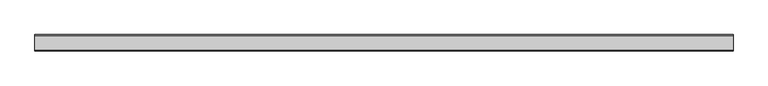
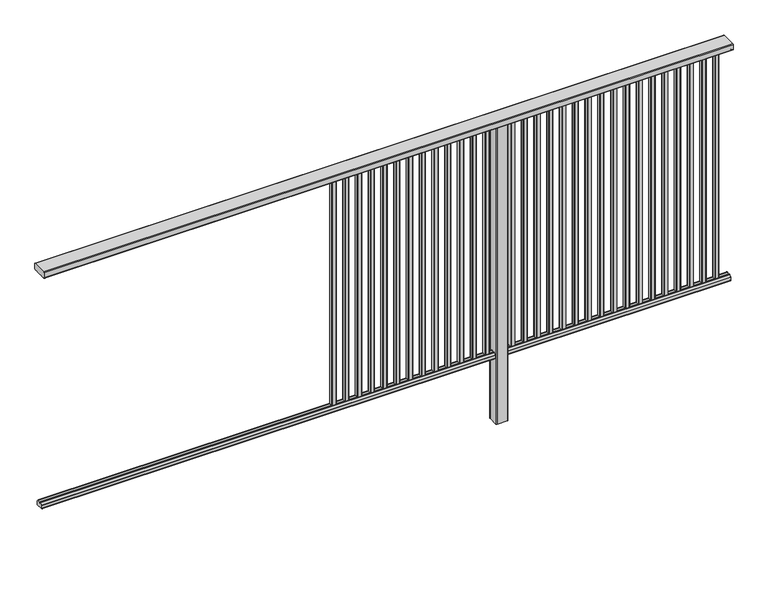
"""IFC4 building model written with IfcOpenShell, lengths in millimetres: railing geometry."""

from ifc_helpers import new_model, si_unit, point, frame, frame_2d, origin, place, context, project, spatial, polyline, circle_curve, trimmed, segment, composite_curve, outline, extrude, source, transform, mapped, element, save


def railing_4b371426(model_context):
    return source(origin(), model_context, "Body", "SweptSolid", [
        extrude(outline(composite_curve([segment(trimmed(circle_curve(frame_2d((7892.8460333, 1197.0)), 3.0), [point((7892.8460333, 1200.0))], [point((7895.8460333, 1197.0))], False, "CARTESIAN"), True, "CONTINUOUS"), segment(polyline([(7895.8460333, 1197.0), (7895.8460333, 1174.8)]), True, "CONTINUOUS"), segment(trimmed(circle_curve(frame_2d((7892.8460333, 1174.8)), 3.0), [point((7895.8460333, 1174.8))], [point((7892.8460333, 1171.8))], False, "CARTESIAN"), True, "CONTINUOUS"), segment(polyline([(7892.8460333, 1171.8), (7887.9961193, 1171.8)]), True, "CONTINUOUS"), segment(trimmed(circle_curve(frame_2d((7887.9961193, 1172.7286632)), 0.9286632), [point((7887.9961193, 1171.8))], [point((7887.0960471, 1172.5000033))], False, "CARTESIAN"), True, "CONTINUOUS"), segment(trimmed(circle_curve(frame_2d((7886.5960471, 1172.5000003)), 0.5), [point((7887.0960471, 1172.5000033))], [point((7886.5960471, 1172.0000003))], False, "CARTESIAN"), True, "CONTINUOUS"), segment(polyline([(7886.5960471, 1172.0000003), (7869.5751393, 1172.0000003)]), True, "CONTINUOUS"), segment(trimmed(circle_curve(frame_2d((7860.8508208, 1188.8785723)), 18.999998), [point((7869.5751393, 1172.0000003))], [point((7852.1265024, 1172.0000003))], False, "CARTESIAN"), True, "CONTINUOUS"), segment(polyline([(7852.1265024, 1172.0000003), (7835.0960436, 1172.0000003)]), True, "CONTINUOUS"), segment(trimmed(circle_curve(frame_2d((7835.0960436, 1172.5000003)), 0.5), [point((7835.0960436, 1172.0000003))], [point((7834.5960436, 1172.5000033))], False, "CARTESIAN"), True, "CONTINUOUS"), segment(trimmed(circle_curve(frame_2d((7833.6961402, 1172.7284461)), 0.9284461), [point((7834.5960436, 1172.5000033))], [point((7833.6961402, 1171.8))], False, "CARTESIAN"), True, "CONTINUOUS"), segment(polyline([(7833.6961402, 1171.8), (7828.8460333, 1171.8)]), True, "CONTINUOUS"), segment(trimmed(circle_curve(frame_2d((7828.8460333, 1174.8)), 3.0), [point((7828.8460333, 1171.8))], [point((7825.8460333, 1174.8))], False, "CARTESIAN"), True, "CONTINUOUS"), segment(polyline([(7825.8460333, 1174.8), (7825.8460333, 1197.0)]), True, "CONTINUOUS"), segment(trimmed(circle_curve(frame_2d((7828.8460333, 1197.0)), 3.0), [point((7825.8460333, 1197.0))], [point((7828.8460333, 1200.0))], False, "CARTESIAN"), True, "CONTINUOUS"), segment(polyline([(7828.8460333, 1200.0), (7892.8460333, 1200.0)]), True, "CONTINUOUS")], self_intersect=False)), frame((3711.3946925, 0.0, 0.0), z_axis=(1.0, 0.0, 0.0), x_axis=(0.0, 1.0, 0.0)), (0.0, 0.0, 1.0), 3000.0),
        extrude(outline(composite_curve([segment(polyline([(7876.5508136, 100.0), (7845.1507946, 100.0)]), True, "CONTINUOUS"), segment(trimmed(circle_curve(frame_2d((7845.1507946, 101.8)), 1.8), [point((7845.1507946, 100.0))], [point((7843.3507946, 101.8))], False, "CARTESIAN"), True, "CONTINUOUS"), segment(polyline([(7843.3507946, 101.8), (7843.3507946, 115.5269955)]), True, "CONTINUOUS"), segment(trimmed(circle_curve(frame_2d((7845.1507946, 115.5269955)), 1.8), [point((7843.3507946, 115.5269955))], [point((7843.7923399, 116.7079277))], False, "CARTESIAN"), True, "CONTINUOUS"), segment(polyline([(7843.7923399, 116.7079277), (7850.4626384, 124.3809322)]), True, "CONTINUOUS"), segment(trimmed(circle_curve(frame_2d((7851.8210931, 123.2)), 1.8), [point((7850.4626384, 124.3809322))], [point((7851.8210931, 125.0))], False, "CARTESIAN"), True, "CONTINUOUS"), segment(polyline([(7851.8210931, 125.0), (7855.5111113, 125.0), (7856.809143, 113.0), (7864.8924411, 113.0), (7866.1904978, 125.0), (7869.88054, 125.0)]), True, "CONTINUOUS"), segment(trimmed(circle_curve(frame_2d((7869.88054, 123.2)), 1.8), [point((7869.88054, 125.0))], [point((7871.2389969, 124.3809297))], False, "CARTESIAN"), True, "CONTINUOUS"), segment(polyline([(7871.2389969, 124.3809297), (7877.9092704, 116.7079252)]), True, "CONTINUOUS"), segment(trimmed(circle_curve(frame_2d((7876.5508136, 115.5269955)), 1.8), [point((7877.9092704, 116.7079252))], [point((7878.3508136, 115.5269955))], False, "CARTESIAN"), True, "CONTINUOUS"), segment(polyline([(7878.3508136, 115.5269955), (7878.3508136, 101.8)]), True, "CONTINUOUS"), segment(trimmed(circle_curve(frame_2d((7876.5508136, 101.8)), 1.8), [point((7878.3508136, 101.8))], [point((7876.5508136, 100.0))], False, "CARTESIAN"), True, "CONTINUOUS")], self_intersect=False)), frame((3711.3946925, 0.0, 0.0), z_axis=(1.0, 0.0, 0.0), x_axis=(0.0, 1.0, 0.0)), (0.0, 0.0, 1.0), 3000.0),
        extrude(outline(composite_curve([segment(trimmed(circle_curve(frame_2d((6648.2391355, 7868.4508236)), 1.4), [point((6646.8391355, 7868.4508236))], [point((6648.2391355, 7869.8508236))], False, "CARTESIAN"), True, "CONTINUOUS"), segment(polyline([(6648.2391355, 7869.8508236), (6663.4391385, 7869.8508236)]), True, "CONTINUOUS"), segment(trimmed(circle_curve(frame_2d((6663.4391385, 7868.4508236)), 1.4), [point((6663.4391385, 7869.8508236))], [point((6664.8391385, 7868.4508236))], False, "CARTESIAN"), True, "CONTINUOUS"), segment(polyline([(6664.8391385, 7868.4508236), (6664.8391385, 7853.2507846)]), True, "CONTINUOUS"), segment(trimmed(circle_curve(frame_2d((6663.4391385, 7853.2507846)), 1.4), [point((6664.8391385, 7853.2507846))], [point((6663.4391385, 7851.8507846))], False, "CARTESIAN"), True, "CONTINUOUS"), segment(polyline([(6663.4391385, 7851.8507846), (6648.2391355, 7851.8507846)]), True, "CONTINUOUS"), segment(trimmed(circle_curve(frame_2d((6648.2391355, 7853.2507846)), 1.4), [point((6648.2391355, 7851.8507846))], [point((6646.8391355, 7853.2507846))], False, "CARTESIAN"), True, "CONTINUOUS"), segment(polyline([(6646.8391355, 7853.2507846), (6646.8391355, 7868.4508236)]), True, "CONTINUOUS")], self_intersect=False)), frame((0.0, 0.0, 125.0), z_axis=(0.0, 0.0, 1.0), x_axis=(1.0, 0.0, 0.0)), (0.0, 0.0, 1.0), 1044.8785743),
        extrude(outline(composite_curve([segment(trimmed(circle_curve(frame_2d((6592.6835799, 7868.4508236)), 1.4), [point((6591.2835799, 7868.4508236))], [point((6592.6835799, 7869.8508236))], False, "CARTESIAN"), True, "CONTINUOUS"), segment(polyline([(6592.6835799, 7869.8508236), (6607.8835829, 7869.8508236)]), True, "CONTINUOUS"), segment(trimmed(circle_curve(frame_2d((6607.8835829, 7868.4508236)), 1.4), [point((6607.8835829, 7869.8508236))], [point((6609.2835829, 7868.4508236))], False, "CARTESIAN"), True, "CONTINUOUS"), segment(polyline([(6609.2835829, 7868.4508236), (6609.2835829, 7853.2507846)]), True, "CONTINUOUS"), segment(trimmed(circle_curve(frame_2d((6607.8835829, 7853.2507846)), 1.4), [point((6609.2835829, 7853.2507846))], [point((6607.8835829, 7851.8507846))], False, "CARTESIAN"), True, "CONTINUOUS"), segment(polyline([(6607.8835829, 7851.8507846), (6592.6835799, 7851.8507846)]), True, "CONTINUOUS"), segment(trimmed(circle_curve(frame_2d((6592.6835799, 7853.2507846)), 1.4), [point((6592.6835799, 7851.8507846))], [point((6591.2835799, 7853.2507846))], False, "CARTESIAN"), True, "CONTINUOUS"), segment(polyline([(6591.2835799, 7853.2507846), (6591.2835799, 7868.4508236)]), True, "CONTINUOUS")], self_intersect=False)), frame((0.0, 0.0, 125.0), z_axis=(0.0, 0.0, 1.0), x_axis=(1.0, 0.0, 0.0)), (0.0, 0.0, 1.0), 1044.8785743),
        extrude(outline(composite_curve([segment(trimmed(circle_curve(frame_2d((6537.1280244, 7868.4508236)), 1.4), [point((6535.7280244, 7868.4508236))], [point((6537.1280244, 7869.8508236))], False, "CARTESIAN"), True, "CONTINUOUS"), segment(polyline([(6537.1280244, 7869.8508236), (6552.3280274, 7869.8508236)]), True, "CONTINUOUS"), segment(trimmed(circle_curve(frame_2d((6552.3280274, 7868.4508236)), 1.4), [point((6552.3280274, 7869.8508236))], [point((6553.7280274, 7868.4508236))], False, "CARTESIAN"), True, "CONTINUOUS"), segment(polyline([(6553.7280274, 7868.4508236), (6553.7280274, 7853.2507846)]), True, "CONTINUOUS"), segment(trimmed(circle_curve(frame_2d((6552.3280274, 7853.2507846)), 1.4), [point((6553.7280274, 7853.2507846))], [point((6552.3280274, 7851.8507846))], False, "CARTESIAN"), True, "CONTINUOUS"), segment(polyline([(6552.3280274, 7851.8507846), (6537.1280244, 7851.8507846)]), True, "CONTINUOUS"), segment(trimmed(circle_curve(frame_2d((6537.1280244, 7853.2507846)), 1.4), [point((6537.1280244, 7851.8507846))], [point((6535.7280244, 7853.2507846))], False, "CARTESIAN"), True, "CONTINUOUS"), segment(polyline([(6535.7280244, 7853.2507846), (6535.7280244, 7868.4508236)]), True, "CONTINUOUS")], self_intersect=False)), frame((0.0, 0.0, 125.0), z_axis=(0.0, 0.0, 1.0), x_axis=(1.0, 0.0, 0.0)), (0.0, 0.0, 1.0), 1044.8785743),
        extrude(outline(composite_curve([segment(trimmed(circle_curve(frame_2d((6481.5724688, 7868.4508236)), 1.4), [point((6480.1724688, 7868.4508236))], [point((6481.5724688, 7869.8508236))], False, "CARTESIAN"), True, "CONTINUOUS"), segment(polyline([(6481.5724688, 7869.8508236), (6496.7724718, 7869.8508236)]), True, "CONTINUOUS"), segment(trimmed(circle_curve(frame_2d((6496.7724718, 7868.4508236)), 1.4), [point((6496.7724718, 7869.8508236))], [point((6498.1724718, 7868.4508236))], False, "CARTESIAN"), True, "CONTINUOUS"), segment(polyline([(6498.1724718, 7868.4508236), (6498.1724718, 7853.2507846)]), True, "CONTINUOUS"), segment(trimmed(circle_curve(frame_2d((6496.7724718, 7853.2507846)), 1.4), [point((6498.1724718, 7853.2507846))], [point((6496.7724718, 7851.8507846))], False, "CARTESIAN"), True, "CONTINUOUS"), segment(polyline([(6496.7724718, 7851.8507846), (6481.5724688, 7851.8507846)]), True, "CONTINUOUS"), segment(trimmed(circle_curve(frame_2d((6481.5724688, 7853.2507846)), 1.4), [point((6481.5724688, 7851.8507846))], [point((6480.1724688, 7853.2507846))], False, "CARTESIAN"), True, "CONTINUOUS"), segment(polyline([(6480.1724688, 7853.2507846), (6480.1724688, 7868.4508236)]), True, "CONTINUOUS")], self_intersect=False)), frame((0.0, 0.0, 125.0), z_axis=(0.0, 0.0, 1.0), x_axis=(1.0, 0.0, 0.0)), (0.0, 0.0, 1.0), 1044.8785743),
        extrude(outline(composite_curve([segment(trimmed(circle_curve(frame_2d((6426.0169133, 7868.4508236)), 1.4), [point((6424.6169133, 7868.4508236))], [point((6426.0169133, 7869.8508236))], False, "CARTESIAN"), True, "CONTINUOUS"), segment(polyline([(6426.0169133, 7869.8508236), (6441.2169163, 7869.8508236)]), True, "CONTINUOUS"), segment(trimmed(circle_curve(frame_2d((6441.2169163, 7868.4508236)), 1.4), [point((6441.2169163, 7869.8508236))], [point((6442.6169163, 7868.4508236))], False, "CARTESIAN"), True, "CONTINUOUS"), segment(polyline([(6442.6169163, 7868.4508236), (6442.6169163, 7853.2507846)]), True, "CONTINUOUS"), segment(trimmed(circle_curve(frame_2d((6441.2169163, 7853.2507846)), 1.4), [point((6442.6169163, 7853.2507846))], [point((6441.2169163, 7851.8507846))], False, "CARTESIAN"), True, "CONTINUOUS"), segment(polyline([(6441.2169163, 7851.8507846), (6426.0169133, 7851.8507846)]), True, "CONTINUOUS"), segment(trimmed(circle_curve(frame_2d((6426.0169133, 7853.2507846)), 1.4), [point((6426.0169133, 7851.8507846))], [point((6424.6169133, 7853.2507846))], False, "CARTESIAN"), True, "CONTINUOUS"), segment(polyline([(6424.6169133, 7853.2507846), (6424.6169133, 7868.4508236)]), True, "CONTINUOUS")], self_intersect=False)), frame((0.0, 0.0, 125.0), z_axis=(0.0, 0.0, 1.0), x_axis=(1.0, 0.0, 0.0)), (0.0, 0.0, 1.0), 1044.8785743),
        extrude(outline(composite_curve([segment(trimmed(circle_curve(frame_2d((6370.4613577, 7868.4508236)), 1.4), [point((6369.0613577, 7868.4508236))], [point((6370.4613577, 7869.8508236))], False, "CARTESIAN"), True, "CONTINUOUS"), segment(polyline([(6370.4613577, 7869.8508236), (6385.6613607, 7869.8508236)]), True, "CONTINUOUS"), segment(trimmed(circle_curve(frame_2d((6385.6613607, 7868.4508236)), 1.4), [point((6385.6613607, 7869.8508236))], [point((6387.0613607, 7868.4508236))], False, "CARTESIAN"), True, "CONTINUOUS"), segment(polyline([(6387.0613607, 7868.4508236), (6387.0613607, 7853.2507846)]), True, "CONTINUOUS"), segment(trimmed(circle_curve(frame_2d((6385.6613607, 7853.2507846)), 1.4), [point((6387.0613607, 7853.2507846))], [point((6385.6613607, 7851.8507846))], False, "CARTESIAN"), True, "CONTINUOUS"), segment(polyline([(6385.6613607, 7851.8507846), (6370.4613577, 7851.8507846)]), True, "CONTINUOUS"), segment(trimmed(circle_curve(frame_2d((6370.4613577, 7853.2507846)), 1.4), [point((6370.4613577, 7851.8507846))], [point((6369.0613577, 7853.2507846))], False, "CARTESIAN"), True, "CONTINUOUS"), segment(polyline([(6369.0613577, 7853.2507846), (6369.0613577, 7868.4508236)]), True, "CONTINUOUS")], self_intersect=False)), frame((0.0, 0.0, 125.0), z_axis=(0.0, 0.0, 1.0), x_axis=(1.0, 0.0, 0.0)), (0.0, 0.0, 1.0), 1044.8785743),
        extrude(outline(composite_curve([segment(trimmed(circle_curve(frame_2d((6314.9058021, 7868.4508236)), 1.4), [point((6313.5058021, 7868.4508236))], [point((6314.9058021, 7869.8508236))], False, "CARTESIAN"), True, "CONTINUOUS"), segment(polyline([(6314.9058021, 7869.8508236), (6330.1058051, 7869.8508236)]), True, "CONTINUOUS"), segment(trimmed(circle_curve(frame_2d((6330.1058051, 7868.4508236)), 1.4), [point((6330.1058051, 7869.8508236))], [point((6331.5058051, 7868.4508236))], False, "CARTESIAN"), True, "CONTINUOUS"), segment(polyline([(6331.5058051, 7868.4508236), (6331.5058051, 7853.2507846)]), True, "CONTINUOUS"), segment(trimmed(circle_curve(frame_2d((6330.1058051, 7853.2507846)), 1.4), [point((6331.5058051, 7853.2507846))], [point((6330.1058051, 7851.8507846))], False, "CARTESIAN"), True, "CONTINUOUS"), segment(polyline([(6330.1058051, 7851.8507846), (6314.9058021, 7851.8507846)]), True, "CONTINUOUS"), segment(trimmed(circle_curve(frame_2d((6314.9058021, 7853.2507846)), 1.4), [point((6314.9058021, 7851.8507846))], [point((6313.5058021, 7853.2507846))], False, "CARTESIAN"), True, "CONTINUOUS"), segment(polyline([(6313.5058021, 7853.2507846), (6313.5058021, 7868.4508236)]), True, "CONTINUOUS")], self_intersect=False)), frame((0.0, 0.0, 125.0), z_axis=(0.0, 0.0, 1.0), x_axis=(1.0, 0.0, 0.0)), (0.0, 0.0, 1.0), 1044.8785743),
        extrude(outline(composite_curve([segment(trimmed(circle_curve(frame_2d((6259.3502466, 7868.4508236)), 1.4), [point((6257.9502466, 7868.4508236))], [point((6259.3502466, 7869.8508236))], False, "CARTESIAN"), True, "CONTINUOUS"), segment(polyline([(6259.3502466, 7869.8508236), (6274.5502496, 7869.8508236)]), True, "CONTINUOUS"), segment(trimmed(circle_curve(frame_2d((6274.5502496, 7868.4508236)), 1.4), [point((6274.5502496, 7869.8508236))], [point((6275.9502496, 7868.4508236))], False, "CARTESIAN"), True, "CONTINUOUS"), segment(polyline([(6275.9502496, 7868.4508236), (6275.9502496, 7853.2507846)]), True, "CONTINUOUS"), segment(trimmed(circle_curve(frame_2d((6274.5502496, 7853.2507846)), 1.4), [point((6275.9502496, 7853.2507846))], [point((6274.5502496, 7851.8507846))], False, "CARTESIAN"), True, "CONTINUOUS"), segment(polyline([(6274.5502496, 7851.8507846), (6259.3502466, 7851.8507846)]), True, "CONTINUOUS"), segment(trimmed(circle_curve(frame_2d((6259.3502466, 7853.2507846)), 1.4), [point((6259.3502466, 7851.8507846))], [point((6257.9502466, 7853.2507846))], False, "CARTESIAN"), True, "CONTINUOUS"), segment(polyline([(6257.9502466, 7853.2507846), (6257.9502466, 7868.4508236)]), True, "CONTINUOUS")], self_intersect=False)), frame((0.0, 0.0, 125.0), z_axis=(0.0, 0.0, 1.0), x_axis=(1.0, 0.0, 0.0)), (0.0, 0.0, 1.0), 1044.8785743),
        extrude(outline(composite_curve([segment(trimmed(circle_curve(frame_2d((6203.794691, 7868.4508236)), 1.4), [point((6202.394691, 7868.4508236))], [point((6203.794691, 7869.8508236))], False, "CARTESIAN"), True, "CONTINUOUS"), segment(polyline([(6203.794691, 7869.8508236), (6218.994694, 7869.8508236)]), True, "CONTINUOUS"), segment(trimmed(circle_curve(frame_2d((6218.994694, 7868.4508236)), 1.4), [point((6218.994694, 7869.8508236))], [point((6220.394694, 7868.4508236))], False, "CARTESIAN"), True, "CONTINUOUS"), segment(polyline([(6220.394694, 7868.4508236), (6220.394694, 7853.2507846)]), True, "CONTINUOUS"), segment(trimmed(circle_curve(frame_2d((6218.994694, 7853.2507846)), 1.4), [point((6220.394694, 7853.2507846))], [point((6218.994694, 7851.8507846))], False, "CARTESIAN"), True, "CONTINUOUS"), segment(polyline([(6218.994694, 7851.8507846), (6203.794691, 7851.8507846)]), True, "CONTINUOUS"), segment(trimmed(circle_curve(frame_2d((6203.794691, 7853.2507846)), 1.4), [point((6203.794691, 7851.8507846))], [point((6202.394691, 7853.2507846))], False, "CARTESIAN"), True, "CONTINUOUS"), segment(polyline([(6202.394691, 7853.2507846), (6202.394691, 7868.4508236)]), True, "CONTINUOUS")], self_intersect=False)), frame((0.0, 0.0, 125.0), z_axis=(0.0, 0.0, 1.0), x_axis=(1.0, 0.0, 0.0)), (0.0, 0.0, 1.0), 1044.8785743),
        extrude(outline(composite_curve([segment(trimmed(circle_curve(frame_2d((6148.2391355, 7868.4508236)), 1.4), [point((6146.8391355, 7868.4508236))], [point((6148.2391355, 7869.8508236))], False, "CARTESIAN"), True, "CONTINUOUS"), segment(polyline([(6148.2391355, 7869.8508236), (6163.4391385, 7869.8508236)]), True, "CONTINUOUS"), segment(trimmed(circle_curve(frame_2d((6163.4391385, 7868.4508236)), 1.4), [point((6163.4391385, 7869.8508236))], [point((6164.8391385, 7868.4508236))], False, "CARTESIAN"), True, "CONTINUOUS"), segment(polyline([(6164.8391385, 7868.4508236), (6164.8391385, 7853.2507846)]), True, "CONTINUOUS"), segment(trimmed(circle_curve(frame_2d((6163.4391385, 7853.2507846)), 1.4), [point((6164.8391385, 7853.2507846))], [point((6163.4391385, 7851.8507846))], False, "CARTESIAN"), True, "CONTINUOUS"), segment(polyline([(6163.4391385, 7851.8507846), (6148.2391355, 7851.8507846)]), True, "CONTINUOUS"), segment(trimmed(circle_curve(frame_2d((6148.2391355, 7853.2507846)), 1.4), [point((6148.2391355, 7851.8507846))], [point((6146.8391355, 7853.2507846))], False, "CARTESIAN"), True, "CONTINUOUS"), segment(polyline([(6146.8391355, 7853.2507846), (6146.8391355, 7868.4508236)]), True, "CONTINUOUS")], self_intersect=False)), frame((0.0, 0.0, 125.0), z_axis=(0.0, 0.0, 1.0), x_axis=(1.0, 0.0, 0.0)), (0.0, 0.0, 1.0), 1044.8785743),
        extrude(outline(composite_curve([segment(trimmed(circle_curve(frame_2d((6092.6835799, 7868.4508236)), 1.4), [point((6091.2835799, 7868.4508236))], [point((6092.6835799, 7869.8508236))], False, "CARTESIAN"), True, "CONTINUOUS"), segment(polyline([(6092.6835799, 7869.8508236), (6107.8835829, 7869.8508236)]), True, "CONTINUOUS"), segment(trimmed(circle_curve(frame_2d((6107.8835829, 7868.4508236)), 1.4), [point((6107.8835829, 7869.8508236))], [point((6109.2835829, 7868.4508236))], False, "CARTESIAN"), True, "CONTINUOUS"), segment(polyline([(6109.2835829, 7868.4508236), (6109.2835829, 7853.2507846)]), True, "CONTINUOUS"), segment(trimmed(circle_curve(frame_2d((6107.8835829, 7853.2507846)), 1.4), [point((6109.2835829, 7853.2507846))], [point((6107.8835829, 7851.8507846))], False, "CARTESIAN"), True, "CONTINUOUS"), segment(polyline([(6107.8835829, 7851.8507846), (6092.6835799, 7851.8507846)]), True, "CONTINUOUS"), segment(trimmed(circle_curve(frame_2d((6092.6835799, 7853.2507846)), 1.4), [point((6092.6835799, 7851.8507846))], [point((6091.2835799, 7853.2507846))], False, "CARTESIAN"), True, "CONTINUOUS"), segment(polyline([(6091.2835799, 7853.2507846), (6091.2835799, 7868.4508236)]), True, "CONTINUOUS")], self_intersect=False)), frame((0.0, 0.0, 125.0), z_axis=(0.0, 0.0, 1.0), x_axis=(1.0, 0.0, 0.0)), (0.0, 0.0, 1.0), 1044.8785743),
        extrude(outline(composite_curve([segment(trimmed(circle_curve(frame_2d((6037.1280244, 7868.4508236)), 1.4), [point((6035.7280244, 7868.4508236))], [point((6037.1280244, 7869.8508236))], False, "CARTESIAN"), True, "CONTINUOUS"), segment(polyline([(6037.1280244, 7869.8508236), (6052.3280274, 7869.8508236)]), True, "CONTINUOUS"), segment(trimmed(circle_curve(frame_2d((6052.3280274, 7868.4508236)), 1.4), [point((6052.3280274, 7869.8508236))], [point((6053.7280274, 7868.4508236))], False, "CARTESIAN"), True, "CONTINUOUS"), segment(polyline([(6053.7280274, 7868.4508236), (6053.7280274, 7853.2507846)]), True, "CONTINUOUS"), segment(trimmed(circle_curve(frame_2d((6052.3280274, 7853.2507846)), 1.4), [point((6053.7280274, 7853.2507846))], [point((6052.3280274, 7851.8507846))], False, "CARTESIAN"), True, "CONTINUOUS"), segment(polyline([(6052.3280274, 7851.8507846), (6037.1280244, 7851.8507846)]), True, "CONTINUOUS"), segment(trimmed(circle_curve(frame_2d((6037.1280244, 7853.2507846)), 1.4), [point((6037.1280244, 7851.8507846))], [point((6035.7280244, 7853.2507846))], False, "CARTESIAN"), True, "CONTINUOUS"), segment(polyline([(6035.7280244, 7853.2507846), (6035.7280244, 7868.4508236)]), True, "CONTINUOUS")], self_intersect=False)), frame((0.0, 0.0, 125.0), z_axis=(0.0, 0.0, 1.0), x_axis=(1.0, 0.0, 0.0)), (0.0, 0.0, 1.0), 1044.8785743),
        extrude(outline(composite_curve([segment(trimmed(circle_curve(frame_2d((5981.5724688, 7868.4508236)), 1.4), [point((5980.1724688, 7868.4508236))], [point((5981.5724688, 7869.8508236))], False, "CARTESIAN"), True, "CONTINUOUS"), segment(polyline([(5981.5724688, 7869.8508236), (5996.7724718, 7869.8508236)]), True, "CONTINUOUS"), segment(trimmed(circle_curve(frame_2d((5996.7724718, 7868.4508236)), 1.4), [point((5996.7724718, 7869.8508236))], [point((5998.1724718, 7868.4508236))], False, "CARTESIAN"), True, "CONTINUOUS"), segment(polyline([(5998.1724718, 7868.4508236), (5998.1724718, 7853.2507846)]), True, "CONTINUOUS"), segment(trimmed(circle_curve(frame_2d((5996.7724718, 7853.2507846)), 1.4), [point((5998.1724718, 7853.2507846))], [point((5996.7724718, 7851.8507846))], False, "CARTESIAN"), True, "CONTINUOUS"), segment(polyline([(5996.7724718, 7851.8507846), (5981.5724688, 7851.8507846)]), True, "CONTINUOUS"), segment(trimmed(circle_curve(frame_2d((5981.5724688, 7853.2507846)), 1.4), [point((5981.5724688, 7851.8507846))], [point((5980.1724688, 7853.2507846))], False, "CARTESIAN"), True, "CONTINUOUS"), segment(polyline([(5980.1724688, 7853.2507846), (5980.1724688, 7868.4508236)]), True, "CONTINUOUS")], self_intersect=False)), frame((0.0, 0.0, 125.0), z_axis=(0.0, 0.0, 1.0), x_axis=(1.0, 0.0, 0.0)), (0.0, 0.0, 1.0), 1044.8785743),
        extrude(outline(composite_curve([segment(trimmed(circle_curve(frame_2d((5926.0169133, 7868.4508236)), 1.4), [point((5924.6169133, 7868.4508236))], [point((5926.0169133, 7869.8508236))], False, "CARTESIAN"), True, "CONTINUOUS"), segment(polyline([(5926.0169133, 7869.8508236), (5941.2169163, 7869.8508236)]), True, "CONTINUOUS"), segment(trimmed(circle_curve(frame_2d((5941.2169163, 7868.4508236)), 1.4), [point((5941.2169163, 7869.8508236))], [point((5942.6169163, 7868.4508236))], False, "CARTESIAN"), True, "CONTINUOUS"), segment(polyline([(5942.6169163, 7868.4508236), (5942.6169163, 7853.2507846)]), True, "CONTINUOUS"), segment(trimmed(circle_curve(frame_2d((5941.2169163, 7853.2507846)), 1.4), [point((5942.6169163, 7853.2507846))], [point((5941.2169163, 7851.8507846))], False, "CARTESIAN"), True, "CONTINUOUS"), segment(polyline([(5941.2169163, 7851.8507846), (5926.0169133, 7851.8507846)]), True, "CONTINUOUS"), segment(trimmed(circle_curve(frame_2d((5926.0169133, 7853.2507846)), 1.4), [point((5926.0169133, 7851.8507846))], [point((5924.6169133, 7853.2507846))], False, "CARTESIAN"), True, "CONTINUOUS"), segment(polyline([(5924.6169133, 7853.2507846), (5924.6169133, 7868.4508236)]), True, "CONTINUOUS")], self_intersect=False)), frame((0.0, 0.0, 125.0), z_axis=(0.0, 0.0, 1.0), x_axis=(1.0, 0.0, 0.0)), (0.0, 0.0, 1.0), 1044.8785743),
        extrude(outline(composite_curve([segment(trimmed(circle_curve(frame_2d((5870.4613577, 7868.4508236)), 1.4), [point((5869.0613577, 7868.4508236))], [point((5870.4613577, 7869.8508236))], False, "CARTESIAN"), True, "CONTINUOUS"), segment(polyline([(5870.4613577, 7869.8508236), (5885.6613607, 7869.8508236)]), True, "CONTINUOUS"), segment(trimmed(circle_curve(frame_2d((5885.6613607, 7868.4508236)), 1.4), [point((5885.6613607, 7869.8508236))], [point((5887.0613607, 7868.4508236))], False, "CARTESIAN"), True, "CONTINUOUS"), segment(polyline([(5887.0613607, 7868.4508236), (5887.0613607, 7853.2507846)]), True, "CONTINUOUS"), segment(trimmed(circle_curve(frame_2d((5885.6613607, 7853.2507846)), 1.4), [point((5887.0613607, 7853.2507846))], [point((5885.6613607, 7851.8507846))], False, "CARTESIAN"), True, "CONTINUOUS"), segment(polyline([(5885.6613607, 7851.8507846), (5870.4613577, 7851.8507846)]), True, "CONTINUOUS"), segment(trimmed(circle_curve(frame_2d((5870.4613577, 7853.2507846)), 1.4), [point((5870.4613577, 7851.8507846))], [point((5869.0613577, 7853.2507846))], False, "CARTESIAN"), True, "CONTINUOUS"), segment(polyline([(5869.0613577, 7853.2507846), (5869.0613577, 7868.4508236)]), True, "CONTINUOUS")], self_intersect=False)), frame((0.0, 0.0, 125.0), z_axis=(0.0, 0.0, 1.0), x_axis=(1.0, 0.0, 0.0)), (0.0, 0.0, 1.0), 1044.8785743),
        extrude(outline(composite_curve([segment(trimmed(circle_curve(frame_2d((5814.9058021, 7868.4508236)), 1.4), [point((5813.5058021, 7868.4508236))], [point((5814.9058021, 7869.8508236))], False, "CARTESIAN"), True, "CONTINUOUS"), segment(polyline([(5814.9058021, 7869.8508236), (5830.1058051, 7869.8508236)]), True, "CONTINUOUS"), segment(trimmed(circle_curve(frame_2d((5830.1058051, 7868.4508236)), 1.4), [point((5830.1058051, 7869.8508236))], [point((5831.5058051, 7868.4508236))], False, "CARTESIAN"), True, "CONTINUOUS"), segment(polyline([(5831.5058051, 7868.4508236), (5831.5058051, 7853.2507846)]), True, "CONTINUOUS"), segment(trimmed(circle_curve(frame_2d((5830.1058051, 7853.2507846)), 1.4), [point((5831.5058051, 7853.2507846))], [point((5830.1058051, 7851.8507846))], False, "CARTESIAN"), True, "CONTINUOUS"), segment(polyline([(5830.1058051, 7851.8507846), (5814.9058021, 7851.8507846)]), True, "CONTINUOUS"), segment(trimmed(circle_curve(frame_2d((5814.9058021, 7853.2507846)), 1.4), [point((5814.9058021, 7851.8507846))], [point((5813.5058021, 7853.2507846))], False, "CARTESIAN"), True, "CONTINUOUS"), segment(polyline([(5813.5058021, 7853.2507846), (5813.5058021, 7868.4508236)]), True, "CONTINUOUS")], self_intersect=False)), frame((0.0, 0.0, 125.0), z_axis=(0.0, 0.0, 1.0), x_axis=(1.0, 0.0, 0.0)), (0.0, 0.0, 1.0), 1044.8785743),
        extrude(outline(composite_curve([segment(trimmed(circle_curve(frame_2d((5759.3502466, 7868.4508236)), 1.4), [point((5757.9502466, 7868.4508236))], [point((5759.3502466, 7869.8508236))], False, "CARTESIAN"), True, "CONTINUOUS"), segment(polyline([(5759.3502466, 7869.8508236), (5774.5502496, 7869.8508236)]), True, "CONTINUOUS"), segment(trimmed(circle_curve(frame_2d((5774.5502496, 7868.4508236)), 1.4), [point((5774.5502496, 7869.8508236))], [point((5775.9502496, 7868.4508236))], False, "CARTESIAN"), True, "CONTINUOUS"), segment(polyline([(5775.9502496, 7868.4508236), (5775.9502496, 7853.2507846)]), True, "CONTINUOUS"), segment(trimmed(circle_curve(frame_2d((5774.5502496, 7853.2507846)), 1.4), [point((5775.9502496, 7853.2507846))], [point((5774.5502496, 7851.8507846))], False, "CARTESIAN"), True, "CONTINUOUS"), segment(polyline([(5774.5502496, 7851.8507846), (5759.3502466, 7851.8507846)]), True, "CONTINUOUS"), segment(trimmed(circle_curve(frame_2d((5759.3502466, 7853.2507846)), 1.4), [point((5759.3502466, 7851.8507846))], [point((5757.9502466, 7853.2507846))], False, "CARTESIAN"), True, "CONTINUOUS"), segment(polyline([(5757.9502466, 7853.2507846), (5757.9502466, 7868.4508236)]), True, "CONTINUOUS")], self_intersect=False)), frame((0.0, 0.0, 125.0), z_axis=(0.0, 0.0, 1.0), x_axis=(1.0, 0.0, 0.0)), (0.0, 0.0, 1.0), 1044.8785743),
        extrude(outline(composite_curve([segment(trimmed(circle_curve(frame_2d((5733.7947043, 7883.2508153)), 3.0), [point((5733.794704, 7886.2508153))], [point((5736.7947043, 7883.2508156))], False, "CARTESIAN"), True, "CONTINUOUS"), segment(polyline([(5736.7947043, 7883.2508156), (5736.7947083, 7838.4507926)]), True, "CONTINUOUS"), segment(trimmed(circle_curve(frame_2d((5733.7947083, 7838.4507923)), 3.0), [point((5736.7947083, 7838.4507926))], [point((5733.7947086, 7835.4507923))], False, "CARTESIAN"), True, "CONTINUOUS"), segment(polyline([(5733.7947086, 7835.4507923), (5688.9946856, 7835.4507883)]), True, "CONTINUOUS"), segment(trimmed(circle_curve(frame_2d((5688.9946853, 7838.4507883)), 3.0), [point((5688.9946856, 7835.4507883))], [point((5685.9946853, 7838.450788))], False, "CARTESIAN"), True, "CONTINUOUS"), segment(polyline([(5685.9946853, 7838.450788), (5685.9946813, 7883.250811)]), True, "CONTINUOUS"), segment(trimmed(circle_curve(frame_2d((5688.9946813, 7883.2508113)), 3.0), [point((5685.9946813, 7883.250811))], [point((5688.994681, 7886.2508113))], False, "CARTESIAN"), True, "CONTINUOUS"), segment(polyline([(5688.994681, 7886.2508113), (5733.794704, 7886.2508153)]), True, "CONTINUOUS")], self_intersect=False)), frame((0.0, 0.0, -198.0), z_axis=(0.0, 0.0, 1.0), x_axis=(1.0, 0.0, 0.0)), (0.0, 0.0, 1.0), 1367.8785743),
        extrude(outline(composite_curve([segment(trimmed(circle_curve(frame_2d((5648.2391355, 7868.4508236)), 1.4), [point((5646.8391355, 7868.4508236))], [point((5648.2391355, 7869.8508236))], False, "CARTESIAN"), True, "CONTINUOUS"), segment(polyline([(5648.2391355, 7869.8508236), (5663.4391385, 7869.8508236)]), True, "CONTINUOUS"), segment(trimmed(circle_curve(frame_2d((5663.4391385, 7868.4508236)), 1.4), [point((5663.4391385, 7869.8508236))], [point((5664.8391385, 7868.4508236))], False, "CARTESIAN"), True, "CONTINUOUS"), segment(polyline([(5664.8391385, 7868.4508236), (5664.8391385, 7853.2507846)]), True, "CONTINUOUS"), segment(trimmed(circle_curve(frame_2d((5663.4391385, 7853.2507846)), 1.4), [point((5664.8391385, 7853.2507846))], [point((5663.4391385, 7851.8507846))], False, "CARTESIAN"), True, "CONTINUOUS"), segment(polyline([(5663.4391385, 7851.8507846), (5648.2391355, 7851.8507846)]), True, "CONTINUOUS"), segment(trimmed(circle_curve(frame_2d((5648.2391355, 7853.2507846)), 1.4), [point((5648.2391355, 7851.8507846))], [point((5646.8391355, 7853.2507846))], False, "CARTESIAN"), True, "CONTINUOUS"), segment(polyline([(5646.8391355, 7853.2507846), (5646.8391355, 7868.4508236)]), True, "CONTINUOUS")], self_intersect=False)), frame((0.0, 0.0, 125.0), z_axis=(0.0, 0.0, 1.0), x_axis=(1.0, 0.0, 0.0)), (0.0, 0.0, 1.0), 1044.8785743),
        extrude(outline(composite_curve([segment(trimmed(circle_curve(frame_2d((5592.6835799, 7868.4508236)), 1.4), [point((5591.2835799, 7868.4508236))], [point((5592.6835799, 7869.8508236))], False, "CARTESIAN"), True, "CONTINUOUS"), segment(polyline([(5592.6835799, 7869.8508236), (5607.8835829, 7869.8508236)]), True, "CONTINUOUS"), segment(trimmed(circle_curve(frame_2d((5607.8835829, 7868.4508236)), 1.4), [point((5607.8835829, 7869.8508236))], [point((5609.2835829, 7868.4508236))], False, "CARTESIAN"), True, "CONTINUOUS"), segment(polyline([(5609.2835829, 7868.4508236), (5609.2835829, 7853.2507846)]), True, "CONTINUOUS"), segment(trimmed(circle_curve(frame_2d((5607.8835829, 7853.2507846)), 1.4), [point((5609.2835829, 7853.2507846))], [point((5607.8835829, 7851.8507846))], False, "CARTESIAN"), True, "CONTINUOUS"), segment(polyline([(5607.8835829, 7851.8507846), (5592.6835799, 7851.8507846)]), True, "CONTINUOUS"), segment(trimmed(circle_curve(frame_2d((5592.6835799, 7853.2507846)), 1.4), [point((5592.6835799, 7851.8507846))], [point((5591.2835799, 7853.2507846))], False, "CARTESIAN"), True, "CONTINUOUS"), segment(polyline([(5591.2835799, 7853.2507846), (5591.2835799, 7868.4508236)]), True, "CONTINUOUS")], self_intersect=False)), frame((0.0, 0.0, 125.0), z_axis=(0.0, 0.0, 1.0), x_axis=(1.0, 0.0, 0.0)), (0.0, 0.0, 1.0), 1044.8785743),
        extrude(outline(composite_curve([segment(trimmed(circle_curve(frame_2d((5537.1280244, 7868.4508236)), 1.4), [point((5535.7280244, 7868.4508236))], [point((5537.1280244, 7869.8508236))], False, "CARTESIAN"), True, "CONTINUOUS"), segment(polyline([(5537.1280244, 7869.8508236), (5552.3280274, 7869.8508236)]), True, "CONTINUOUS"), segment(trimmed(circle_curve(frame_2d((5552.3280274, 7868.4508236)), 1.4), [point((5552.3280274, 7869.8508236))], [point((5553.7280274, 7868.4508236))], False, "CARTESIAN"), True, "CONTINUOUS"), segment(polyline([(5553.7280274, 7868.4508236), (5553.7280274, 7853.2507846)]), True, "CONTINUOUS"), segment(trimmed(circle_curve(frame_2d((5552.3280274, 7853.2507846)), 1.4), [point((5553.7280274, 7853.2507846))], [point((5552.3280274, 7851.8507846))], False, "CARTESIAN"), True, "CONTINUOUS"), segment(polyline([(5552.3280274, 7851.8507846), (5537.1280244, 7851.8507846)]), True, "CONTINUOUS"), segment(trimmed(circle_curve(frame_2d((5537.1280244, 7853.2507846)), 1.4), [point((5537.1280244, 7851.8507846))], [point((5535.7280244, 7853.2507846))], False, "CARTESIAN"), True, "CONTINUOUS"), segment(polyline([(5535.7280244, 7853.2507846), (5535.7280244, 7868.4508236)]), True, "CONTINUOUS")], self_intersect=False)), frame((0.0, 0.0, 125.0), z_axis=(0.0, 0.0, 1.0), x_axis=(1.0, 0.0, 0.0)), (0.0, 0.0, 1.0), 1044.8785743),
        extrude(outline(composite_curve([segment(trimmed(circle_curve(frame_2d((5481.5724688, 7868.4508236)), 1.4), [point((5480.1724688, 7868.4508236))], [point((5481.5724688, 7869.8508236))], False, "CARTESIAN"), True, "CONTINUOUS"), segment(polyline([(5481.5724688, 7869.8508236), (5496.7724718, 7869.8508236)]), True, "CONTINUOUS"), segment(trimmed(circle_curve(frame_2d((5496.7724718, 7868.4508236)), 1.4), [point((5496.7724718, 7869.8508236))], [point((5498.1724718, 7868.4508236))], False, "CARTESIAN"), True, "CONTINUOUS"), segment(polyline([(5498.1724718, 7868.4508236), (5498.1724718, 7853.2507846)]), True, "CONTINUOUS"), segment(trimmed(circle_curve(frame_2d((5496.7724718, 7853.2507846)), 1.4), [point((5498.1724718, 7853.2507846))], [point((5496.7724718, 7851.8507846))], False, "CARTESIAN"), True, "CONTINUOUS"), segment(polyline([(5496.7724718, 7851.8507846), (5481.5724688, 7851.8507846)]), True, "CONTINUOUS"), segment(trimmed(circle_curve(frame_2d((5481.5724688, 7853.2507846)), 1.4), [point((5481.5724688, 7851.8507846))], [point((5480.1724688, 7853.2507846))], False, "CARTESIAN"), True, "CONTINUOUS"), segment(polyline([(5480.1724688, 7853.2507846), (5480.1724688, 7868.4508236)]), True, "CONTINUOUS")], self_intersect=False)), frame((0.0, 0.0, 125.0), z_axis=(0.0, 0.0, 1.0), x_axis=(1.0, 0.0, 0.0)), (0.0, 0.0, 1.0), 1044.8785743),
        extrude(outline(composite_curve([segment(trimmed(circle_curve(frame_2d((5426.0169133, 7868.4508236)), 1.4), [point((5424.6169133, 7868.4508236))], [point((5426.0169133, 7869.8508236))], False, "CARTESIAN"), True, "CONTINUOUS"), segment(polyline([(5426.0169133, 7869.8508236), (5441.2169163, 7869.8508236)]), True, "CONTINUOUS"), segment(trimmed(circle_curve(frame_2d((5441.2169163, 7868.4508236)), 1.4), [point((5441.2169163, 7869.8508236))], [point((5442.6169163, 7868.4508236))], False, "CARTESIAN"), True, "CONTINUOUS"), segment(polyline([(5442.6169163, 7868.4508236), (5442.6169163, 7853.2507846)]), True, "CONTINUOUS"), segment(trimmed(circle_curve(frame_2d((5441.2169163, 7853.2507846)), 1.4), [point((5442.6169163, 7853.2507846))], [point((5441.2169163, 7851.8507846))], False, "CARTESIAN"), True, "CONTINUOUS"), segment(polyline([(5441.2169163, 7851.8507846), (5426.0169133, 7851.8507846)]), True, "CONTINUOUS"), segment(trimmed(circle_curve(frame_2d((5426.0169133, 7853.2507846)), 1.4), [point((5426.0169133, 7851.8507846))], [point((5424.6169133, 7853.2507846))], False, "CARTESIAN"), True, "CONTINUOUS"), segment(polyline([(5424.6169133, 7853.2507846), (5424.6169133, 7868.4508236)]), True, "CONTINUOUS")], self_intersect=False)), frame((0.0, 0.0, 125.0), z_axis=(0.0, 0.0, 1.0), x_axis=(1.0, 0.0, 0.0)), (0.0, 0.0, 1.0), 1044.8785743),
        extrude(outline(composite_curve([segment(trimmed(circle_curve(frame_2d((5370.4613577, 7868.4508236)), 1.4), [point((5369.0613577, 7868.4508236))], [point((5370.4613577, 7869.8508236))], False, "CARTESIAN"), True, "CONTINUOUS"), segment(polyline([(5370.4613577, 7869.8508236), (5385.6613607, 7869.8508236)]), True, "CONTINUOUS"), segment(trimmed(circle_curve(frame_2d((5385.6613607, 7868.4508236)), 1.4), [point((5385.6613607, 7869.8508236))], [point((5387.0613607, 7868.4508236))], False, "CARTESIAN"), True, "CONTINUOUS"), segment(polyline([(5387.0613607, 7868.4508236), (5387.0613607, 7853.2507846)]), True, "CONTINUOUS"), segment(trimmed(circle_curve(frame_2d((5385.6613607, 7853.2507846)), 1.4), [point((5387.0613607, 7853.2507846))], [point((5385.6613607, 7851.8507846))], False, "CARTESIAN"), True, "CONTINUOUS"), segment(polyline([(5385.6613607, 7851.8507846), (5370.4613577, 7851.8507846)]), True, "CONTINUOUS"), segment(trimmed(circle_curve(frame_2d((5370.4613577, 7853.2507846)), 1.4), [point((5370.4613577, 7851.8507846))], [point((5369.0613577, 7853.2507846))], False, "CARTESIAN"), True, "CONTINUOUS"), segment(polyline([(5369.0613577, 7853.2507846), (5369.0613577, 7868.4508236)]), True, "CONTINUOUS")], self_intersect=False)), frame((0.0, 0.0, 125.0), z_axis=(0.0, 0.0, 1.0), x_axis=(1.0, 0.0, 0.0)), (0.0, 0.0, 1.0), 1044.8785743),
        extrude(outline(composite_curve([segment(trimmed(circle_curve(frame_2d((5314.9058021, 7868.4508236)), 1.4), [point((5313.5058021, 7868.4508236))], [point((5314.9058021, 7869.8508236))], False, "CARTESIAN"), True, "CONTINUOUS"), segment(polyline([(5314.9058021, 7869.8508236), (5330.1058051, 7869.8508236)]), True, "CONTINUOUS"), segment(trimmed(circle_curve(frame_2d((5330.1058051, 7868.4508236)), 1.4), [point((5330.1058051, 7869.8508236))], [point((5331.5058051, 7868.4508236))], False, "CARTESIAN"), True, "CONTINUOUS"), segment(polyline([(5331.5058051, 7868.4508236), (5331.5058051, 7853.2507846)]), True, "CONTINUOUS"), segment(trimmed(circle_curve(frame_2d((5330.1058051, 7853.2507846)), 1.4), [point((5331.5058051, 7853.2507846))], [point((5330.1058051, 7851.8507846))], False, "CARTESIAN"), True, "CONTINUOUS"), segment(polyline([(5330.1058051, 7851.8507846), (5314.9058021, 7851.8507846)]), True, "CONTINUOUS"), segment(trimmed(circle_curve(frame_2d((5314.9058021, 7853.2507846)), 1.4), [point((5314.9058021, 7851.8507846))], [point((5313.5058021, 7853.2507846))], False, "CARTESIAN"), True, "CONTINUOUS"), segment(polyline([(5313.5058021, 7853.2507846), (5313.5058021, 7868.4508236)]), True, "CONTINUOUS")], self_intersect=False)), frame((0.0, 0.0, 125.0), z_axis=(0.0, 0.0, 1.0), x_axis=(1.0, 0.0, 0.0)), (0.0, 0.0, 1.0), 1044.8785743),
        extrude(outline(composite_curve([segment(trimmed(circle_curve(frame_2d((5259.3502466, 7868.4508236)), 1.4), [point((5257.9502466, 7868.4508236))], [point((5259.3502466, 7869.8508236))], False, "CARTESIAN"), True, "CONTINUOUS"), segment(polyline([(5259.3502466, 7869.8508236), (5274.5502496, 7869.8508236)]), True, "CONTINUOUS"), segment(trimmed(circle_curve(frame_2d((5274.5502496, 7868.4508236)), 1.4), [point((5274.5502496, 7869.8508236))], [point((5275.9502496, 7868.4508236))], False, "CARTESIAN"), True, "CONTINUOUS"), segment(polyline([(5275.9502496, 7868.4508236), (5275.9502496, 7853.2507846)]), True, "CONTINUOUS"), segment(trimmed(circle_curve(frame_2d((5274.5502496, 7853.2507846)), 1.4), [point((5275.9502496, 7853.2507846))], [point((5274.5502496, 7851.8507846))], False, "CARTESIAN"), True, "CONTINUOUS"), segment(polyline([(5274.5502496, 7851.8507846), (5259.3502466, 7851.8507846)]), True, "CONTINUOUS"), segment(trimmed(circle_curve(frame_2d((5259.3502466, 7853.2507846)), 1.4), [point((5259.3502466, 7851.8507846))], [point((5257.9502466, 7853.2507846))], False, "CARTESIAN"), True, "CONTINUOUS"), segment(polyline([(5257.9502466, 7853.2507846), (5257.9502466, 7868.4508236)]), True, "CONTINUOUS")], self_intersect=False)), frame((0.0, 0.0, 125.0), z_axis=(0.0, 0.0, 1.0), x_axis=(1.0, 0.0, 0.0)), (0.0, 0.0, 1.0), 1044.8785743),
        extrude(outline(composite_curve([segment(trimmed(circle_curve(frame_2d((5203.794691, 7868.4508236)), 1.4), [point((5202.394691, 7868.4508236))], [point((5203.794691, 7869.8508236))], False, "CARTESIAN"), True, "CONTINUOUS"), segment(polyline([(5203.794691, 7869.8508236), (5218.994694, 7869.8508236)]), True, "CONTINUOUS"), segment(trimmed(circle_curve(frame_2d((5218.994694, 7868.4508236)), 1.4), [point((5218.994694, 7869.8508236))], [point((5220.394694, 7868.4508236))], False, "CARTESIAN"), True, "CONTINUOUS"), segment(polyline([(5220.394694, 7868.4508236), (5220.394694, 7853.2507846)]), True, "CONTINUOUS"), segment(trimmed(circle_curve(frame_2d((5218.994694, 7853.2507846)), 1.4), [point((5220.394694, 7853.2507846))], [point((5218.994694, 7851.8507846))], False, "CARTESIAN"), True, "CONTINUOUS"), segment(polyline([(5218.994694, 7851.8507846), (5203.794691, 7851.8507846)]), True, "CONTINUOUS"), segment(trimmed(circle_curve(frame_2d((5203.794691, 7853.2507846)), 1.4), [point((5203.794691, 7851.8507846))], [point((5202.394691, 7853.2507846))], False, "CARTESIAN"), True, "CONTINUOUS"), segment(polyline([(5202.394691, 7853.2507846), (5202.394691, 7868.4508236)]), True, "CONTINUOUS")], self_intersect=False)), frame((0.0, 0.0, 125.0), z_axis=(0.0, 0.0, 1.0), x_axis=(1.0, 0.0, 0.0)), (0.0, 0.0, 1.0), 1044.8785743),
        extrude(outline(composite_curve([segment(trimmed(circle_curve(frame_2d((5148.2391355, 7868.4508236)), 1.4), [point((5146.8391355, 7868.4508236))], [point((5148.2391355, 7869.8508236))], False, "CARTESIAN"), True, "CONTINUOUS"), segment(polyline([(5148.2391355, 7869.8508236), (5163.4391385, 7869.8508236)]), True, "CONTINUOUS"), segment(trimmed(circle_curve(frame_2d((5163.4391385, 7868.4508236)), 1.4), [point((5163.4391385, 7869.8508236))], [point((5164.8391385, 7868.4508236))], False, "CARTESIAN"), True, "CONTINUOUS"), segment(polyline([(5164.8391385, 7868.4508236), (5164.8391385, 7853.2507846)]), True, "CONTINUOUS"), segment(trimmed(circle_curve(frame_2d((5163.4391385, 7853.2507846)), 1.4), [point((5164.8391385, 7853.2507846))], [point((5163.4391385, 7851.8507846))], False, "CARTESIAN"), True, "CONTINUOUS"), segment(polyline([(5163.4391385, 7851.8507846), (5148.2391355, 7851.8507846)]), True, "CONTINUOUS"), segment(trimmed(circle_curve(frame_2d((5148.2391355, 7853.2507846)), 1.4), [point((5148.2391355, 7851.8507846))], [point((5146.8391355, 7853.2507846))], False, "CARTESIAN"), True, "CONTINUOUS"), segment(polyline([(5146.8391355, 7853.2507846), (5146.8391355, 7868.4508236)]), True, "CONTINUOUS")], self_intersect=False)), frame((0.0, 0.0, 125.0), z_axis=(0.0, 0.0, 1.0), x_axis=(1.0, 0.0, 0.0)), (0.0, 0.0, 1.0), 1044.8785743),
        extrude(outline(composite_curve([segment(trimmed(circle_curve(frame_2d((5092.6835799, 7868.4508236)), 1.4), [point((5091.2835799, 7868.4508236))], [point((5092.6835799, 7869.8508236))], False, "CARTESIAN"), True, "CONTINUOUS"), segment(polyline([(5092.6835799, 7869.8508236), (5107.8835829, 7869.8508236)]), True, "CONTINUOUS"), segment(trimmed(circle_curve(frame_2d((5107.8835829, 7868.4508236)), 1.4), [point((5107.8835829, 7869.8508236))], [point((5109.2835829, 7868.4508236))], False, "CARTESIAN"), True, "CONTINUOUS"), segment(polyline([(5109.2835829, 7868.4508236), (5109.2835829, 7853.2507846)]), True, "CONTINUOUS"), segment(trimmed(circle_curve(frame_2d((5107.8835829, 7853.2507846)), 1.4), [point((5109.2835829, 7853.2507846))], [point((5107.8835829, 7851.8507846))], False, "CARTESIAN"), True, "CONTINUOUS"), segment(polyline([(5107.8835829, 7851.8507846), (5092.6835799, 7851.8507846)]), True, "CONTINUOUS"), segment(trimmed(circle_curve(frame_2d((5092.6835799, 7853.2507846)), 1.4), [point((5092.6835799, 7851.8507846))], [point((5091.2835799, 7853.2507846))], False, "CARTESIAN"), True, "CONTINUOUS"), segment(polyline([(5091.2835799, 7853.2507846), (5091.2835799, 7868.4508236)]), True, "CONTINUOUS")], self_intersect=False)), frame((0.0, 0.0, 125.0), z_axis=(0.0, 0.0, 1.0), x_axis=(1.0, 0.0, 0.0)), (0.0, 0.0, 1.0), 1044.8785743),
        extrude(outline(composite_curve([segment(trimmed(circle_curve(frame_2d((5037.1280244, 7868.4508236)), 1.4), [point((5035.7280244, 7868.4508236))], [point((5037.1280244, 7869.8508236))], False, "CARTESIAN"), True, "CONTINUOUS"), segment(polyline([(5037.1280244, 7869.8508236), (5052.3280274, 7869.8508236)]), True, "CONTINUOUS"), segment(trimmed(circle_curve(frame_2d((5052.3280274, 7868.4508236)), 1.4), [point((5052.3280274, 7869.8508236))], [point((5053.7280274, 7868.4508236))], False, "CARTESIAN"), True, "CONTINUOUS"), segment(polyline([(5053.7280274, 7868.4508236), (5053.7280274, 7853.2507846)]), True, "CONTINUOUS"), segment(trimmed(circle_curve(frame_2d((5052.3280274, 7853.2507846)), 1.4), [point((5053.7280274, 7853.2507846))], [point((5052.3280274, 7851.8507846))], False, "CARTESIAN"), True, "CONTINUOUS"), segment(polyline([(5052.3280274, 7851.8507846), (5037.1280244, 7851.8507846)]), True, "CONTINUOUS"), segment(trimmed(circle_curve(frame_2d((5037.1280244, 7853.2507846)), 1.4), [point((5037.1280244, 7851.8507846))], [point((5035.7280244, 7853.2507846))], False, "CARTESIAN"), True, "CONTINUOUS"), segment(polyline([(5035.7280244, 7853.2507846), (5035.7280244, 7868.4508236)]), True, "CONTINUOUS")], self_intersect=False)), frame((0.0, 0.0, 125.0), z_axis=(0.0, 0.0, 1.0), x_axis=(1.0, 0.0, 0.0)), (0.0, 0.0, 1.0), 1044.8785743),
        extrude(outline(composite_curve([segment(trimmed(circle_curve(frame_2d((4981.5724688, 7868.4508236)), 1.4), [point((4980.1724688, 7868.4508236))], [point((4981.5724688, 7869.8508236))], False, "CARTESIAN"), True, "CONTINUOUS"), segment(polyline([(4981.5724688, 7869.8508236), (4996.7724718, 7869.8508236)]), True, "CONTINUOUS"), segment(trimmed(circle_curve(frame_2d((4996.7724718, 7868.4508236)), 1.4), [point((4996.7724718, 7869.8508236))], [point((4998.1724718, 7868.4508236))], False, "CARTESIAN"), True, "CONTINUOUS"), segment(polyline([(4998.1724718, 7868.4508236), (4998.1724718, 7853.2507846)]), True, "CONTINUOUS"), segment(trimmed(circle_curve(frame_2d((4996.7724718, 7853.2507846)), 1.4), [point((4998.1724718, 7853.2507846))], [point((4996.7724718, 7851.8507846))], False, "CARTESIAN"), True, "CONTINUOUS"), segment(polyline([(4996.7724718, 7851.8507846), (4981.5724688, 7851.8507846)]), True, "CONTINUOUS"), segment(trimmed(circle_curve(frame_2d((4981.5724688, 7853.2507846)), 1.4), [point((4981.5724688, 7851.8507846))], [point((4980.1724688, 7853.2507846))], False, "CARTESIAN"), True, "CONTINUOUS"), segment(polyline([(4980.1724688, 7853.2507846), (4980.1724688, 7868.4508236)]), True, "CONTINUOUS")], self_intersect=False)), frame((0.0, 0.0, 125.0), z_axis=(0.0, 0.0, 1.0), x_axis=(1.0, 0.0, 0.0)), (0.0, 0.0, 1.0), 1044.8785743),
    ])


if __name__ == "__main__":
    model = new_model("IFC4")
    model_context = context("Model", 3, world=origin())
    ifc_project = project(units=[si_unit("LENGTHUNIT", "METRE", prefix="MILLI")], contexts=[model_context])
    site = spatial("IfcSite", under=ifc_project)
    building = spatial("IfcBuilding", under=site)
    placement = place(None, origin())
    railing_shape = railing_4b371426(model_context)
    element("IfcRailing", 1, at=placement, inside=building, context=model_context, shape_type="MappedRepresentation", body=[
        mapped(railing_shape, transform((0.0, 0.0, 0.0), x_axis=(1.0, 0.0, 0.0), y_axis=(0.0, 1.0, 0.0), z_axis=(0.0, 0.0, 1.0))),
    ])
    save(model, "model.ifc")
